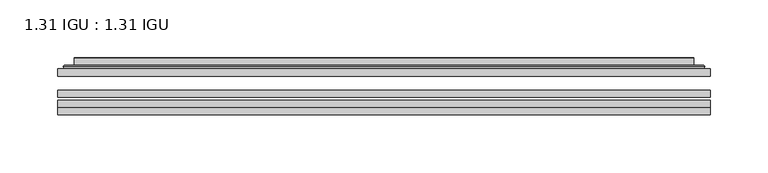
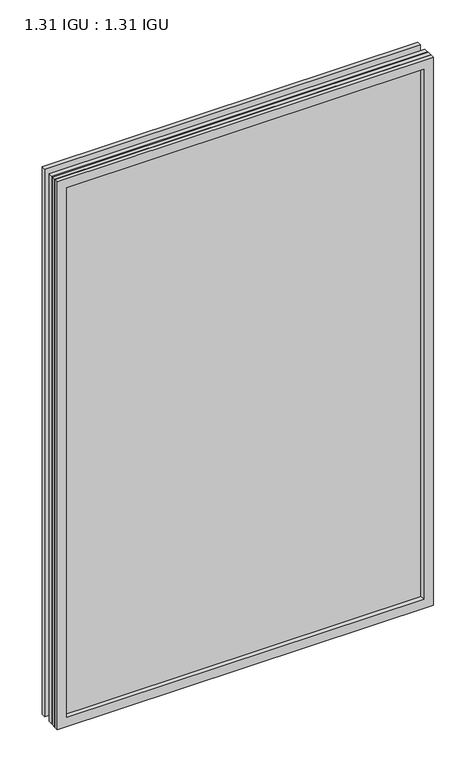
"""IFC4 building model written with IfcOpenShell, lengths in millimetres: plate geometry, 1.31 IGU : 1.31 IGU."""

import ifcopenshell
import ifcopenshell.guid

model = None  # the IFC model being written
_history = None  # IfcOwnerHistory: only IFC2X3 demands one
_inside = {}  # id of a spatial element -> (the spatial element, [elements in it])
_under = {}  # id of a project, library or spatial element -> (it, [spatial elements below it])
_declared = {}  # id of a project -> (the project, [libraries it declares])
_typed = {}  # id of a type object -> (the type object, [elements of that type])
_made_of = {}  # id of a material, layer set ... -> (it, [elements and type objects made of it])


def new_model(schema):
    """Start an empty IFC model of exactly this schema.

    Asked for "IFC4X3", IfcOpenShell would pick the latest addendum, in which some entities
    have other attributes; the version numbers below select the first issue.
    IFC2X3 requires an IfcOwnerHistory on every rooted entity: one is made here for all.
    """
    global model, _history
    if schema == "IFC4X3":
        model = ifcopenshell.file(schema_version=(4, 3, 0, 0))
    else:
        model = ifcopenshell.file(schema=schema)
    _inside.clear()
    _under.clear()
    _declared.clear()
    _typed.clear()
    _made_of.clear()
    _history = None
    if model.schema == "IFC2X3":
        org = make("IfcOrganization", Name="unknown")
        user = make(
            "IfcPersonAndOrganization",
            ThePerson=make("IfcPerson", FamilyName="unknown"),
            TheOrganization=org,
        )
        app = make(
            "IfcApplication",
            ApplicationDeveloper=org,
            Version="unknown",
            ApplicationFullName="unknown",
            ApplicationIdentifier="unknown",
        )
        _history = make(
            "IfcOwnerHistory",
            OwningUser=user,
            OwningApplication=app,
            ChangeAction="ADDED",
            CreationDate=0,
        )
    return model


def make(cls, **values):
    """One entity of the class cls with the attributes given. An attribute that is None is left unset."""
    return model.create_entity(
        cls, **{name: value for name, value in values.items() if value is not None}
    )


def rooted(cls, **values):
    """An entity with a GlobalId (a new one), such as an element, a storey or a relation."""
    return make(cls, GlobalId=ifcopenshell.guid.new(), OwnerHistory=_history, **values)


def si_unit(unit_type, name, prefix=None):
    """IfcSIUnit, for example si_unit("LENGTHUNIT", "METRE", prefix="MILLI")."""
    return make("IfcSIUnit", UnitType=unit_type, Prefix=prefix, Name=name)


def assignment(units):
    """IfcUnitAssignment: the units of a project."""
    return None if units is None else make("IfcUnitAssignment", Units=units)


def point(xyz):
    """IfcCartesianPoint."""
    return None if xyz is None else make("IfcCartesianPoint", Coordinates=xyz)


def direction(xyz):
    """IfcDirection."""
    return None if xyz is None else make("IfcDirection", DirectionRatios=xyz)


def frame(location, z_axis=None, x_axis=None):
    """IfcAxis2Placement3D, a coordinate frame: its origin and axes. An axis left out is left unset."""
    return make(
        "IfcAxis2Placement3D",
        Location=point(location),
        Axis=direction(z_axis),
        RefDirection=direction(x_axis),
    )


def origin():
    """The frame at (0, 0, 0) with its axes left unset."""
    return frame((0.0, 0.0, 0.0))


def place(relative_to, where):
    """IfcLocalPlacement: puts the frame where relative to a parent placement (None: the world)."""
    return make(
        "IfcLocalPlacement", PlacementRelTo=relative_to, RelativePlacement=where
    )


def context(
    kind, dimensions, precision=None, world=None, true_north=None, identifier=None
):
    """IfcGeometricRepresentationContext, for example the 3D "Model" context."""
    return make(
        "IfcGeometricRepresentationContext",
        ContextIdentifier=identifier,
        ContextType=kind,
        CoordinateSpaceDimension=dimensions,
        Precision=precision,
        WorldCoordinateSystem=world,
        TrueNorth=true_north,
    )


def project(units=None, contexts=None):
    """IfcProject with its units and contexts."""
    return rooted(
        "IfcProject",
        Name="project",
        RepresentationContexts=contexts,
        UnitsInContext=assignment(units),
    )


def spatial(cls, under=None, at=None, **own):
    """A site, building, storey or space (cls), placed at a placement, below another one or the project."""
    s = rooted(cls, ObjectPlacement=at, **own)
    if under is not None:
        _under.setdefault(under.id(), (under, []))[1].append(s)
    return s


def polyline(points):
    """IfcPolyline through the points."""
    return make("IfcPolyline", Points=[point(p) for p in points])


def ellipse_curve(where, semi_axis1, semi_axis2):
    """IfcEllipse in the frame where."""
    return make(
        "IfcEllipse", Position=where, SemiAxis1=semi_axis1, SemiAxis2=semi_axis2
    )


def outline(outer, holes=None, kind="AREA"):
    """IfcArbitraryClosedProfileDef: a profile drawn as a closed curve; with holes, ...WithVoids."""
    if holes is None:
        return make("IfcArbitraryClosedProfileDef", ProfileType=kind, OuterCurve=outer)
    return make(
        "IfcArbitraryProfileDefWithVoids",
        ProfileType=kind,
        OuterCurve=outer,
        InnerCurves=holes,
    )


def extrude(swept, where, along, depth):
    """IfcExtrudedAreaSolid: the profile swept, set in the frame where, extruded along a direction by depth."""
    return make(
        "IfcExtrudedAreaSolid",
        SweptArea=swept,
        Position=where,
        ExtrudedDirection=direction(along),
        Depth=depth,
    )


def faces_of(points, faces, orient=None, outer=None):
    """IfcFace entities. A face is a list of loops; a loop is a list of indices into points, from 0.

    orient and outer hold one flag for each loop. By default every Orientation is true, the
    first loop of a face is its IfcFaceOuterBound and the others are IfcFaceBound.
    """
    made = []
    for i, loops in enumerate(faces):
        bounds = []
        for j, loop in enumerate(loops):
            is_outer = j == 0 if outer is None else outer[i][j]
            bounds.append(
                make(
                    "IfcFaceOuterBound" if is_outer else "IfcFaceBound",
                    Bound=make("IfcPolyLoop", Polygon=[points[k] for k in loop]),
                    Orientation=True if orient is None else orient[i][j],
                )
            )
        made.append(make("IfcFace", Bounds=bounds))
    return made


def faceted_brep(points, faces, orient=None, outer=None, voids=None):
    """IfcFacetedBrep: a solid bounded by flat faces; with voids (closed shells), ...WithVoids."""
    shared = [point(p) for p in points]
    hull = make("IfcClosedShell", CfsFaces=faces_of(shared, faces, orient, outer))
    if voids is None:
        return make("IfcFacetedBrep", Outer=hull)
    return make(
        "IfcFacetedBrepWithVoids",
        Outer=hull,
        Voids=[
            make(cls, CfsFaces=faces_of(shared, fs, o, b)) for cls, fs, o, b in voids
        ],
    )


def shape(context_of_items, identifier, shape_type, items):
    """IfcShapeRepresentation: the items that make up one representation, for example the "Body"."""
    return make(
        "IfcShapeRepresentation",
        ContextOfItems=context_of_items,
        RepresentationIdentifier=identifier,
        RepresentationType=shape_type,
        Items=items,
    )


def source(mapping_origin, context_of_items, identifier, shape_type, items):
    """IfcRepresentationMap: a shape defined once, which mapped items show again and again."""
    return make(
        "IfcRepresentationMap",
        MappingOrigin=mapping_origin,
        MappedRepresentation=shape(context_of_items, identifier, shape_type, items),
    )


def transform(
    local_origin,
    x_axis=None,
    y_axis=None,
    z_axis=None,
    scale=None,
    scale2=None,
    scale3=None,
    uniform=True,
):
    """IfcCartesianTransformationOperator3D, or its non-uniform kind. x_axis, y_axis, z_axis: its Axis1, 2, 3."""
    if uniform:
        return make(
            "IfcCartesianTransformationOperator3D",
            Axis1=direction(x_axis),
            Axis2=direction(y_axis),
            LocalOrigin=point(local_origin),
            Scale=scale,
            Axis3=direction(z_axis),
        )
    return make(
        "IfcCartesianTransformationOperator3DnonUniform",
        Axis1=direction(x_axis),
        Axis2=direction(y_axis),
        LocalOrigin=point(local_origin),
        Scale=scale,
        Axis3=direction(z_axis),
        Scale2=scale2,
        Scale3=scale3,
    )


def mapped(mapping_source, mapping_target):
    """IfcMappedItem: shows the shape of a source again, moved by a transform."""
    return make(
        "IfcMappedItem", MappingSource=mapping_source, MappingTarget=mapping_target
    )


def made_of(thing, what):
    """Note that an element or type object is made of a material, layer set ...; save() writes the relation."""
    if what is not None:
        _made_of.setdefault(what.id(), (what, []))[1].append(thing)
    return thing


def element(
    cls,
    number,
    at=None,
    inside=None,
    cuts=None,
    type_object=None,
    material=None,
    context=None,
    identifier="Body",
    shape_type=None,
    held_by="IfcProductDefinitionShape",
    body=None,
    shapes=None,
    **own,
):
    """One element of the class cls, such as IfcWall. Its Tag is "e" and its number.

    at: its placement. inside: the storey or other place that contains it. cuts: it is an
    opening in that element (IfcRelVoidsElement). A single representation is given by context,
    identifier, shape_type and body (its items); several are given by shapes. held_by: the class
    of the entity that holds the representations. save() writes the other relations.
    """
    e = rooted(cls, Tag="e%d" % number, ObjectPlacement=at, **own)
    if body is not None:
        shapes = [shape(context, identifier, shape_type, body)]
    if shapes is not None:
        e.Representation = make(held_by, Representations=shapes)
    if inside is not None:
        _inside.setdefault(inside.id(), (inside, []))[1].append(e)
    if cuts is not None:
        rooted(
            "IfcRelVoidsElement", RelatingBuildingElement=cuts, RelatedOpeningElement=e
        )
    if type_object is not None:
        _typed.setdefault(type_object.id(), (type_object, []))[1].append(e)
    return made_of(e, material)


def aggregate(whole, parts):
    """IfcRelAggregates: a whole, such as a stair, and the parts it consists of."""
    return rooted("IfcRelAggregates", RelatingObject=whole, RelatedObjects=parts)


def save(model, path):
    """Write the relations noted so far, then the file.

    IfcRelAggregates (storeys below a building ...), IfcRelContainedInSpatialStructure (elements
    in a storey), IfcRelDefinesByType, IfcRelAssociatesMaterial and IfcRelDeclares: one each for
    every whole, place, type object, material and project.
    """
    for whole, parts in _under.values():
        aggregate(whole, parts)
    for where, things in _inside.values():
        rooted(
            "IfcRelContainedInSpatialStructure",
            RelatedElements=things,
            RelatingStructure=where,
        )
    for kind, things in _typed.values():
        rooted("IfcRelDefinesByType", RelatedObjects=things, RelatingType=kind)
    for what, things in _made_of.values():
        rooted("IfcRelAssociatesMaterial", RelatedObjects=things, RelatingMaterial=what)
    for by, libraries in _declared.values():
        rooted("IfcRelDeclares", RelatingContext=by, RelatedDefinitions=libraries)
    model.write(path)


def plane_surface(at):
    """IfcPlane: the flat surface through the origin of the frame at, square to its z axis."""
    return make("IfcPlane", Position=at)


def cylinder_surface(at, radius):
    """IfcCylindricalSurface: all points at the distance radius from the z axis of the frame at."""
    return make("IfcCylindricalSurface", Position=at, Radius=radius)


def advanced_brep(points, edges, surfaces, faces):
    """IfcAdvancedBrep: a solid bounded by faces that lie on surfaces and meet in shared edges.

    An edge is (start, end): straight between two places in points (the first is 0);
    or (start, end, curve); or (start, end, curve, False) where it runs against its curve.
    A face is (place in surfaces, loops), or (place, loops, False) where it looks against
    its surface's normal. A loop lists edges by number (the first is 1), with a minus sign
    where the edge is run from its end to its start. The first loop is the outer one.
    """
    corners = [point(p) for p in points]
    vertices = [make("IfcVertexPoint", VertexGeometry=c) for c in corners]
    made = []
    for start, end, *more in edges:
        made.append(
            make(
                "IfcEdgeCurve",
                EdgeStart=vertices[start],
                EdgeEnd=vertices[end],
                EdgeGeometry=more[0] if more else make("IfcPolyline", Points=[corners[start], corners[end]]),
                SameSense=more[1] if len(more) > 1 else True,
            )
        )
    hull = []
    for where, loops, *sense in faces:
        bounds = []
        for j, loop in enumerate(loops):
            ring = [make("IfcOrientedEdge", EdgeElement=made[abs(k) - 1], Orientation=k > 0) for k in loop]
            bounds.append(
                make(
                    "IfcFaceOuterBound" if j == 0 else "IfcFaceBound",
                    Bound=make("IfcEdgeLoop", EdgeList=ring),
                    Orientation=True,
                )
            )
        hull.append(make("IfcAdvancedFace", Bounds=bounds, FaceSurface=surfaces[where], SameSense=sense[0] if sense else True))
    return make("IfcAdvancedBrep", Outer=make("IfcClosedShell", CfsFaces=hull))


def plate_1_31_igu_1_31_igu_1e02309c(model_context):
    return source(origin(), model_context, "Body", "SolidModel", [
        extrude(outline(polyline([(282.589175, -63.59525), (282.589175, -69.94525), (-282.575, -69.94525), (-282.575, -63.59525), (282.589175, -63.59525)])), frame((0.0, 0.0, -14.2875), z_axis=(0.0, 0.0, 1.0), x_axis=(1.0, 0.0, 0.0)), (0.0, 0.0, 1.0), 869.9537979),
        extrude(outline(polyline([(-282.575, -78.58125), (-282.575, -72.230745), (282.589175, -72.230745), (282.589175, -78.58125), (-282.575, -78.58125)])), frame((0.0, 0.0, -14.2875), z_axis=(0.0, 0.0, 1.0), x_axis=(1.0, 0.0, 0.0)), (0.0, 0.0, 1.0), 869.9537979),
        extrude(outline(polyline([(282.589175, -45.25645), (282.589175, -51.60645), (-282.575, -51.60645), (-282.575, -45.25645), (282.589175, -45.25645)])), frame((0.0, 0.0, -14.2875), z_axis=(0.0, 0.0, 1.0), x_axis=(1.0, 0.0, 0.0)), (0.0, 0.0, 1.0), 869.9537979),
        faceted_brep([(-282.5877, -84.93125, 855.6752), (-282.5877, -78.58125, 855.6752), (-282.5877, -78.58125, -14.3002), (-282.5877, -84.93125, -14.3002), (282.5877, -78.58125, -14.3002), (282.5877, -84.93125, -14.3002), (282.5877, -78.58125, 855.6752), (282.5877, -84.93125, 855.6752), (-267.3897559, -78.58125, 0.8977441), (267.3897559, -78.58125, 0.8977441), (267.3897559, -78.58125, 840.4772559), (-267.3897559, -78.58125, 840.4772559), (-268.2821902, -84.93125, 841.3696902), (268.2821902, -84.93125, 841.3696902), (268.2821902, -84.93125, 0.0053098), (-268.2821902, -84.93125, 0.0053098)], [[[0, 1, 2, 3]], [[3, 2, 4, 5]], [[5, 4, 6, 7]], [[1, 6, 4, 2], [8, 9, 10, 11]], [[7, 6, 1, 0]], [[3, 5, 7, 0], [12, 13, 14, 15]], [[11, 12, 15, 8]], [[8, 15, 14, 9]], [[9, 14, 13, 10]], [[10, 13, 12, 11]]]),
        advanced_brep(
        [(-275.3337191, -45.25645, 848.4212191), (-277.6879244, -43.2667833, 850.7754244), (-277.6879244, -43.2667833, -9.4004244), (-275.3337191, -45.25645, -7.046219), (-266.2593939, -41.416413, 839.3468939), (-261.3245621, -45.25645, 834.4120621), (-261.3245621, -45.25645, 6.9629379), (-266.2593939, -41.416413, 2.0281061), (-267.2914217, -36.0191819, 840.3789217), (-267.2914217, -36.0191819, 0.9960783), (-268.2820784, -35.6202069, 841.3695784), (-268.2820784, -35.6202069, 0.0054216), (-268.2820784, -42.08145, 841.3695784), (-268.2820784, -42.08145, 0.0054216), (-276.6861349, -42.08145, 849.7736349), (-276.6861349, -42.08145, -8.3986349), (277.6879244, -43.2667833, -9.4004244), (275.3337191, -45.25645, -7.046219), (261.3245621, -45.25645, 6.9629379), (266.2593939, -41.416413, 2.0281061), (267.2914217, -36.0191819, 0.9960783), (268.2820784, -35.6202069, 0.0054216), (268.2820784, -42.08145, 0.0054216), (276.6861349, -42.08145, -8.3986349), (277.6879244, -43.2667833, 850.7754244), (275.3337191, -45.25645, 848.4212191), (261.3245621, -45.25645, 834.4120621), (266.2593939, -41.416413, 839.3468939), (267.2914217, -36.0191819, 840.3789217), (268.2820784, -35.6202069, 841.3695784), (268.2820784, -42.08145, 841.3695784), (276.6861349, -42.08145, 849.7736349)],
        [
            (0, 1, ellipse_curve(frame((-275.3337191, -42.86885, 848.4212191), z_axis=(-0.7071067811865475, 0.0, -0.7071067811865475), x_axis=(-0.7071067811865474, 0.0, 0.7071067811865476)), 3.3765763, 2.3876)),
            (1, 2),
            (2, 3, ellipse_curve(frame((-275.3337191, -42.86885, -7.046219), z_axis=(-0.7071067811865475, 0.0, 0.7071067811865475), x_axis=(0.7071067811865474, 0.0, 0.7071067811865476)), 3.3765763, 2.3876)),
            (3, 0),
            (4, 5),
            (5, 6),
            (6, 7),
            (7, 4),
            (8, 4),
            (7, 9),
            (9, 8),
            (10, 8, ellipse_curve(frame((-267.9151219, -36.1384423, 841.0026219), z_axis=(-0.7071067811865475, 0.0, -0.7071067811865475), x_axis=(-0.7071067811865474, 0.0, 0.7071067811865476)), 0.8980256, 0.635)),
            (9, 11, ellipse_curve(frame((-267.9151219, -36.1384423, 0.3723781), z_axis=(-0.7071067811865475, 0.0, 0.7071067811865475), x_axis=(0.7071067811865474, 0.0, 0.7071067811865476)), 0.8980256, 0.635)),
            (11, 10),
            (12, 10),
            (11, 13),
            (13, 12),
            (1, 14, ellipse_curve(frame((-276.6861349, -43.09745, 849.7736349), z_axis=(-0.7071067811865475, 0.0, -0.7071067811865475), x_axis=(-0.7071067811865474, 0.0, 0.7071067811865476)), 1.436841, 1.016)),
            (14, 15),
            (15, 2, ellipse_curve(frame((-276.6861349, -43.09745, -8.3986349), z_axis=(-0.7071067811865475, 0.0, 0.7071067811865475), x_axis=(0.7071067811865474, 0.0, 0.7071067811865476)), 1.436841, 1.016)),
            (2, 16),
            (16, 17, ellipse_curve(frame((275.3337191, -42.86885, -7.046219), z_axis=(-0.7071067811865475, 0.0, -0.7071067811865475), x_axis=(-0.7071067811865476, 0.0, 0.7071067811865474)), 3.3765763, 2.3876)),
            (17, 3),
            (6, 18),
            (18, 19),
            (19, 7),
            (19, 20),
            (20, 9),
            (20, 21, ellipse_curve(frame((267.9151219, -36.1384423, 0.3723781), z_axis=(-0.7071067811865475, 0.0, -0.7071067811865475), x_axis=(-0.7071067811865476, 0.0, 0.7071067811865474)), 0.8980256, 0.635)),
            (21, 11),
            (21, 22),
            (22, 13),
            (15, 23),
            (23, 16, ellipse_curve(frame((276.6861349, -43.09745, -8.3986349), z_axis=(-0.7071067811865475, 0.0, -0.7071067811865475), x_axis=(-0.7071067811865476, 0.0, 0.7071067811865474)), 1.436841, 1.016)),
            (16, 24),
            (24, 25, ellipse_curve(frame((275.3337191, -42.86885, 848.4212191), z_axis=(0.7071067811865475, 0.0, -0.7071067811865475), x_axis=(-0.7071067811865474, 0.0, -0.7071067811865476)), 3.3765763, 2.3876)),
            (25, 17),
            (18, 26),
            (26, 27),
            (27, 19),
            (27, 28),
            (28, 20),
            (28, 29, ellipse_curve(frame((267.9151219, -36.1384423, 841.0026219), z_axis=(0.7071067811865475, 0.0, -0.7071067811865475), x_axis=(-0.7071067811865474, 0.0, -0.7071067811865476)), 0.8980256, 0.635)),
            (29, 21),
            (29, 30),
            (30, 22),
            (23, 31),
            (31, 24, ellipse_curve(frame((276.6861349, -43.09745, 849.7736349), z_axis=(0.7071067811865475, 0.0, -0.7071067811865475), x_axis=(-0.7071067811865474, 0.0, -0.7071067811865476)), 1.436841, 1.016)),
            (24, 1),
            (0, 25),
            (5, 26),
            (4, 27),
            (8, 28),
            (10, 29),
            (12, 30),
            (14, 31),
        ],
        [
            cylinder_surface(frame((-275.3337191, -42.86885, 873.125), z_axis=(0.0, 0.0, 1.0), x_axis=(-1.0, 0.0, 0.0)), 2.3876),
            plane_surface(frame((-261.3245621, -45.25645, 834.4120621), z_axis=(0.6141233906514794, 0.7892100234124821, 0.0), x_axis=(0.0, 0.0, -1.0))),
            plane_surface(frame((-266.2593939, -41.416413, 839.3468939), z_axis=(0.9822050625507729, 0.18781164793386076, 0.0), x_axis=(0.0, 0.0, -1.0))),
            cylinder_surface(frame((-267.9151219, -36.1384423, 873.125), z_axis=(0.0, 0.0, 1.0), x_axis=(-1.0, 0.0, 0.0)), 0.635),
            plane_surface(frame((-268.2820784, -35.6202069, 841.3695784), z_axis=(-1.0, 0.0, 0.0), x_axis=(0.0, 0.0, -1.0))),
            cylinder_surface(frame((-276.6861349, -43.09745, 873.125), z_axis=(0.0, 0.0, 1.0), x_axis=(-1.0, 0.0, 0.0)), 1.016),
            cylinder_surface(frame((-300.0375, -42.86885, -7.046219), z_axis=(-1.0, 0.0, 0.0), x_axis=(0.0, 0.0, -1.0)), 2.3876),
            plane_surface(frame((-261.3245621, -45.25645, 6.9629379), z_axis=(0.0, 0.7892100234124841, 0.6141233906514768), x_axis=(1.0, 0.0, 0.0))),
            plane_surface(frame((-266.2593939, -41.416413, 2.0281061), z_axis=(0.0, 0.18781164793386393, 0.9822050625507723), x_axis=(1.0, 0.0, 0.0))),
            cylinder_surface(frame((-300.0375, -36.1384423, 0.3723781), z_axis=(-1.0, 0.0, 0.0), x_axis=(0.0, 0.0, -1.0)), 0.635),
            plane_surface(frame((-268.2820784, -35.6202069, 0.0054216), z_axis=(0.0, 0.0, -1.0), x_axis=(1.0, 0.0, 0.0))),
            cylinder_surface(frame((-300.0375, -43.09745, -8.3986349), z_axis=(-1.0, 0.0, 0.0), x_axis=(0.0, 0.0, -1.0)), 1.016),
            cylinder_surface(frame((275.3337191, -42.86885, -31.75), z_axis=(0.0, 0.0, -1.0), x_axis=(1.0, 0.0, 0.0)), 2.3876),
            plane_surface(frame((261.3245621, -45.25645, 6.9629379), z_axis=(-0.6141233906514743, 0.7892100234124861, 0.0), x_axis=(0.0, 0.0, 1.0))),
            plane_surface(frame((266.2593939, -41.416413, 2.0281061), z_axis=(-0.9822050625507718, 0.1878116479338671, 0.0), x_axis=(0.0, 0.0, 1.0))),
            cylinder_surface(frame((267.9151219, -36.1384423, -31.75), z_axis=(0.0, 0.0, -1.0), x_axis=(1.0, 0.0, 0.0)), 0.635),
            plane_surface(frame((268.2820784, -35.6202069, 0.0054216), z_axis=(1.0, 0.0, 0.0), x_axis=(0.0, 0.0, 1.0))),
            cylinder_surface(frame((276.6861349, -43.09745, -31.75), z_axis=(0.0, 0.0, -1.0), x_axis=(1.0, 0.0, 0.0)), 1.016),
            cylinder_surface(frame((300.0375, -42.86885, 848.4212191), z_axis=(1.0, 0.0, 0.0), x_axis=(0.0, 0.0, 1.0)), 2.3876),
            plane_surface(frame((275.3337191, -45.25645, 848.4212191), z_axis=(0.0, -1.0, 0.0), x_axis=(-1.0, 0.0, 0.0))),
            plane_surface(frame((261.3245621, -45.25645, 834.4120621), z_axis=(0.0, 0.7892100234124841, -0.6141233906514768), x_axis=(-1.0, 0.0, 0.0))),
            plane_surface(frame((266.2593939, -41.416413, 839.3468939), z_axis=(0.0, 0.18781164793386393, -0.9822050625507723), x_axis=(-1.0, 0.0, 0.0))),
            cylinder_surface(frame((300.0375, -36.1384423, 841.0026219), z_axis=(1.0, 0.0, 0.0), x_axis=(0.0, 0.0, 1.0)), 0.635),
            plane_surface(frame((268.2820784, -35.6202069, 841.3695784), z_axis=(0.0, 0.0, 1.0), x_axis=(-1.0, 0.0, 0.0))),
            plane_surface(frame((268.2820784, -42.08145, 841.3695784), z_axis=(0.0, 1.0, 0.0), x_axis=(-1.0, 0.0, 0.0))),
            cylinder_surface(frame((300.0375, -43.09745, 849.7736349), z_axis=(1.0, 0.0, 0.0), x_axis=(0.0, 0.0, 1.0)), 1.016),
        ],
        [
            (0, [[1, 2, 3, 4]]),
            (1, [[5, 6, 7, 8]]),
            (2, [[9, -8, 10, 11]]),
            (3, [[12, -11, 13, 14]]),
            (4, [[15, -14, 16, 17]]),
            (5, [[18, 19, 20, -2]]),
            (6, [[-3, 21, 22, 23]]),
            (7, [[-7, 24, 25, 26]]),
            (8, [[-10, -26, 27, 28]]),
            (9, [[-13, -28, 29, 30]]),
            (10, [[-16, -30, 31, 32]]),
            (11, [[-20, 33, 34, -21]]),
            (12, [[-22, 35, 36, 37]]),
            (13, [[-25, 38, 39, 40]]),
            (14, [[-27, -40, 41, 42]]),
            (15, [[-29, -42, 43, 44]]),
            (16, [[-31, -44, 45, 46]]),
            (17, [[-34, 47, 48, -35]]),
            (18, [[-36, 49, -1, 50]]),
            (19, [[-23, -37, -50, -4], [51, -38, -24, -6]]),
            (20, [[-39, -51, -5, 52]]),
            (21, [[-41, -52, -9, 53]]),
            (22, [[-43, -53, -12, 54]]),
            (23, [[-45, -54, -15, 55]]),
            (24, [[56, -47, -33, -19], [-32, -46, -55, -17]]),
            (25, [[-48, -56, -18, -49]]),
        ],
    ),
    ])


if __name__ == "__main__":
    model = new_model("IFC4")
    model_context = context("Model", 3, world=origin())
    ifc_project = project(units=[si_unit("LENGTHUNIT", "METRE", prefix="MILLI")], contexts=[model_context])
    site = spatial("IfcSite", under=ifc_project)
    building = spatial("IfcBuilding", under=site)
    placement = place(None, origin())
    plate_1_31_igu_1_31_igu_shape = plate_1_31_igu_1_31_igu_1e02309c(model_context)
    element("IfcPlate", 1, ObjectType="1.31 IGU : 1.31 IGU", at=placement, inside=building, context=model_context, shape_type="MappedRepresentation", body=[
        mapped(plate_1_31_igu_1_31_igu_shape, transform((0.0, 0.0, 0.0), x_axis=(1.0, 0.0, 0.0), y_axis=(0.0, 1.0, 0.0), z_axis=(0.0, 0.0, 1.0))),
    ])
    save(model, "model.ifc")
